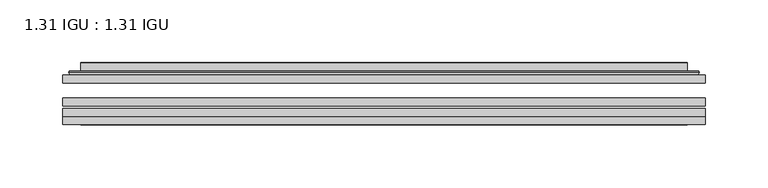
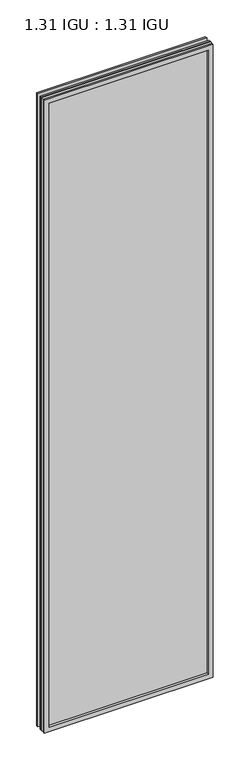
"""IFC4 building model written with IfcOpenShell, lengths in millimetres: plate geometry, 1.31 IGU : 1.31 IGU."""

import ifcopenshell
import ifcopenshell.guid

model = None  # the IFC model being written
_history = None  # IfcOwnerHistory: only IFC2X3 demands one
_inside = {}  # id of a spatial element -> (the spatial element, [elements in it])
_under = {}  # id of a project, library or spatial element -> (it, [spatial elements below it])
_declared = {}  # id of a project -> (the project, [libraries it declares])
_typed = {}  # id of a type object -> (the type object, [elements of that type])
_made_of = {}  # id of a material, layer set ... -> (it, [elements and type objects made of it])


def new_model(schema):
    """Start an empty IFC model of exactly this schema.

    Asked for "IFC4X3", IfcOpenShell would pick the latest addendum, in which some entities
    have other attributes; the version numbers below select the first issue.
    IFC2X3 requires an IfcOwnerHistory on every rooted entity: one is made here for all.
    """
    global model, _history
    if schema == "IFC4X3":
        model = ifcopenshell.file(schema_version=(4, 3, 0, 0))
    else:
        model = ifcopenshell.file(schema=schema)
    _inside.clear()
    _under.clear()
    _declared.clear()
    _typed.clear()
    _made_of.clear()
    _history = None
    if model.schema == "IFC2X3":
        org = make("IfcOrganization", Name="unknown")
        user = make(
            "IfcPersonAndOrganization",
            ThePerson=make("IfcPerson", FamilyName="unknown"),
            TheOrganization=org,
        )
        app = make(
            "IfcApplication",
            ApplicationDeveloper=org,
            Version="unknown",
            ApplicationFullName="unknown",
            ApplicationIdentifier="unknown",
        )
        _history = make(
            "IfcOwnerHistory",
            OwningUser=user,
            OwningApplication=app,
            ChangeAction="ADDED",
            CreationDate=0,
        )
    return model


def make(cls, **values):
    """One entity of the class cls with the attributes given. An attribute that is None is left unset."""
    return model.create_entity(
        cls, **{name: value for name, value in values.items() if value is not None}
    )


def rooted(cls, **values):
    """An entity with a GlobalId (a new one), such as an element, a storey or a relation."""
    return make(cls, GlobalId=ifcopenshell.guid.new(), OwnerHistory=_history, **values)


def si_unit(unit_type, name, prefix=None):
    """IfcSIUnit, for example si_unit("LENGTHUNIT", "METRE", prefix="MILLI")."""
    return make("IfcSIUnit", UnitType=unit_type, Prefix=prefix, Name=name)


def assignment(units):
    """IfcUnitAssignment: the units of a project."""
    return None if units is None else make("IfcUnitAssignment", Units=units)


def point(xyz):
    """IfcCartesianPoint."""
    return None if xyz is None else make("IfcCartesianPoint", Coordinates=xyz)


def direction(xyz):
    """IfcDirection."""
    return None if xyz is None else make("IfcDirection", DirectionRatios=xyz)


def frame(location, z_axis=None, x_axis=None):
    """IfcAxis2Placement3D, a coordinate frame: its origin and axes. An axis left out is left unset."""
    return make(
        "IfcAxis2Placement3D",
        Location=point(location),
        Axis=direction(z_axis),
        RefDirection=direction(x_axis),
    )


def origin():
    """The frame at (0, 0, 0) with its axes left unset."""
    return frame((0.0, 0.0, 0.0))


def place(relative_to, where):
    """IfcLocalPlacement: puts the frame where relative to a parent placement (None: the world)."""
    return make(
        "IfcLocalPlacement", PlacementRelTo=relative_to, RelativePlacement=where
    )


def context(
    kind, dimensions, precision=None, world=None, true_north=None, identifier=None
):
    """IfcGeometricRepresentationContext, for example the 3D "Model" context."""
    return make(
        "IfcGeometricRepresentationContext",
        ContextIdentifier=identifier,
        ContextType=kind,
        CoordinateSpaceDimension=dimensions,
        Precision=precision,
        WorldCoordinateSystem=world,
        TrueNorth=true_north,
    )


def project(units=None, contexts=None):
    """IfcProject with its units and contexts."""
    return rooted(
        "IfcProject",
        Name="project",
        RepresentationContexts=contexts,
        UnitsInContext=assignment(units),
    )


def spatial(cls, under=None, at=None, **own):
    """A site, building, storey or space (cls), placed at a placement, below another one or the project."""
    s = rooted(cls, ObjectPlacement=at, **own)
    if under is not None:
        _under.setdefault(under.id(), (under, []))[1].append(s)
    return s


def polyline(points):
    """IfcPolyline through the points."""
    return make("IfcPolyline", Points=[point(p) for p in points])


def ellipse_curve(where, semi_axis1, semi_axis2):
    """IfcEllipse in the frame where."""
    return make(
        "IfcEllipse", Position=where, SemiAxis1=semi_axis1, SemiAxis2=semi_axis2
    )


def outline(outer, holes=None, kind="AREA"):
    """IfcArbitraryClosedProfileDef: a profile drawn as a closed curve; with holes, ...WithVoids."""
    if holes is None:
        return make("IfcArbitraryClosedProfileDef", ProfileType=kind, OuterCurve=outer)
    return make(
        "IfcArbitraryProfileDefWithVoids",
        ProfileType=kind,
        OuterCurve=outer,
        InnerCurves=holes,
    )


def extrude(swept, where, along, depth):
    """IfcExtrudedAreaSolid: the profile swept, set in the frame where, extruded along a direction by depth."""
    return make(
        "IfcExtrudedAreaSolid",
        SweptArea=swept,
        Position=where,
        ExtrudedDirection=direction(along),
        Depth=depth,
    )


def faces_of(points, faces, orient=None, outer=None):
    """IfcFace entities. A face is a list of loops; a loop is a list of indices into points, from 0.

    orient and outer hold one flag for each loop. By default every Orientation is true, the
    first loop of a face is its IfcFaceOuterBound and the others are IfcFaceBound.
    """
    made = []
    for i, loops in enumerate(faces):
        bounds = []
        for j, loop in enumerate(loops):
            is_outer = j == 0 if outer is None else outer[i][j]
            bounds.append(
                make(
                    "IfcFaceOuterBound" if is_outer else "IfcFaceBound",
                    Bound=make("IfcPolyLoop", Polygon=[points[k] for k in loop]),
                    Orientation=True if orient is None else orient[i][j],
                )
            )
        made.append(make("IfcFace", Bounds=bounds))
    return made


def faceted_brep(points, faces, orient=None, outer=None, voids=None):
    """IfcFacetedBrep: a solid bounded by flat faces; with voids (closed shells), ...WithVoids."""
    shared = [point(p) for p in points]
    hull = make("IfcClosedShell", CfsFaces=faces_of(shared, faces, orient, outer))
    if voids is None:
        return make("IfcFacetedBrep", Outer=hull)
    return make(
        "IfcFacetedBrepWithVoids",
        Outer=hull,
        Voids=[
            make(cls, CfsFaces=faces_of(shared, fs, o, b)) for cls, fs, o, b in voids
        ],
    )


def shape(context_of_items, identifier, shape_type, items):
    """IfcShapeRepresentation: the items that make up one representation, for example the "Body"."""
    return make(
        "IfcShapeRepresentation",
        ContextOfItems=context_of_items,
        RepresentationIdentifier=identifier,
        RepresentationType=shape_type,
        Items=items,
    )


def source(mapping_origin, context_of_items, identifier, shape_type, items):
    """IfcRepresentationMap: a shape defined once, which mapped items show again and again."""
    return make(
        "IfcRepresentationMap",
        MappingOrigin=mapping_origin,
        MappedRepresentation=shape(context_of_items, identifier, shape_type, items),
    )


def transform(
    local_origin,
    x_axis=None,
    y_axis=None,
    z_axis=None,
    scale=None,
    scale2=None,
    scale3=None,
    uniform=True,
):
    """IfcCartesianTransformationOperator3D, or its non-uniform kind. x_axis, y_axis, z_axis: its Axis1, 2, 3."""
    if uniform:
        return make(
            "IfcCartesianTransformationOperator3D",
            Axis1=direction(x_axis),
            Axis2=direction(y_axis),
            LocalOrigin=point(local_origin),
            Scale=scale,
            Axis3=direction(z_axis),
        )
    return make(
        "IfcCartesianTransformationOperator3DnonUniform",
        Axis1=direction(x_axis),
        Axis2=direction(y_axis),
        LocalOrigin=point(local_origin),
        Scale=scale,
        Axis3=direction(z_axis),
        Scale2=scale2,
        Scale3=scale3,
    )


def mapped(mapping_source, mapping_target):
    """IfcMappedItem: shows the shape of a source again, moved by a transform."""
    return make(
        "IfcMappedItem", MappingSource=mapping_source, MappingTarget=mapping_target
    )


def made_of(thing, what):
    """Note that an element or type object is made of a material, layer set ...; save() writes the relation."""
    if what is not None:
        _made_of.setdefault(what.id(), (what, []))[1].append(thing)
    return thing


def element(
    cls,
    number,
    at=None,
    inside=None,
    cuts=None,
    type_object=None,
    material=None,
    context=None,
    identifier="Body",
    shape_type=None,
    held_by="IfcProductDefinitionShape",
    body=None,
    shapes=None,
    **own,
):
    """One element of the class cls, such as IfcWall. Its Tag is "e" and its number.

    at: its placement. inside: the storey or other place that contains it. cuts: it is an
    opening in that element (IfcRelVoidsElement). A single representation is given by context,
    identifier, shape_type and body (its items); several are given by shapes. held_by: the class
    of the entity that holds the representations. save() writes the other relations.
    """
    e = rooted(cls, Tag="e%d" % number, ObjectPlacement=at, **own)
    if body is not None:
        shapes = [shape(context, identifier, shape_type, body)]
    if shapes is not None:
        e.Representation = make(held_by, Representations=shapes)
    if inside is not None:
        _inside.setdefault(inside.id(), (inside, []))[1].append(e)
    if cuts is not None:
        rooted(
            "IfcRelVoidsElement", RelatingBuildingElement=cuts, RelatedOpeningElement=e
        )
    if type_object is not None:
        _typed.setdefault(type_object.id(), (type_object, []))[1].append(e)
    return made_of(e, material)


def aggregate(whole, parts):
    """IfcRelAggregates: a whole, such as a stair, and the parts it consists of."""
    return rooted("IfcRelAggregates", RelatingObject=whole, RelatedObjects=parts)


def save(model, path):
    """Write the relations noted so far, then the file.

    IfcRelAggregates (storeys below a building ...), IfcRelContainedInSpatialStructure (elements
    in a storey), IfcRelDefinesByType, IfcRelAssociatesMaterial and IfcRelDeclares: one each for
    every whole, place, type object, material and project.
    """
    for whole, parts in _under.values():
        aggregate(whole, parts)
    for where, things in _inside.values():
        rooted(
            "IfcRelContainedInSpatialStructure",
            RelatedElements=things,
            RelatingStructure=where,
        )
    for kind, things in _typed.values():
        rooted("IfcRelDefinesByType", RelatedObjects=things, RelatingType=kind)
    for what, things in _made_of.values():
        rooted("IfcRelAssociatesMaterial", RelatedObjects=things, RelatingMaterial=what)
    for by, libraries in _declared.values():
        rooted("IfcRelDeclares", RelatingContext=by, RelatedDefinitions=libraries)
    model.write(path)


def plane_surface(at):
    """IfcPlane: the flat surface through the origin of the frame at, square to its z axis."""
    return make("IfcPlane", Position=at)


def cylinder_surface(at, radius):
    """IfcCylindricalSurface: all points at the distance radius from the z axis of the frame at."""
    return make("IfcCylindricalSurface", Position=at, Radius=radius)


def advanced_brep(points, edges, surfaces, faces):
    """IfcAdvancedBrep: a solid bounded by faces that lie on surfaces and meet in shared edges.

    An edge is (start, end): straight between two places in points (the first is 0);
    or (start, end, curve); or (start, end, curve, False) where it runs against its curve.
    A face is (place in surfaces, loops), or (place, loops, False) where it looks against
    its surface's normal. A loop lists edges by number (the first is 1), with a minus sign
    where the edge is run from its end to its start. The first loop is the outer one.
    """
    corners = [point(p) for p in points]
    vertices = [make("IfcVertexPoint", VertexGeometry=c) for c in corners]
    made = []
    for start, end, *more in edges:
        made.append(
            make(
                "IfcEdgeCurve",
                EdgeStart=vertices[start],
                EdgeEnd=vertices[end],
                EdgeGeometry=more[0] if more else make("IfcPolyline", Points=[corners[start], corners[end]]),
                SameSense=more[1] if len(more) > 1 else True,
            )
        )
    hull = []
    for where, loops, *sense in faces:
        bounds = []
        for j, loop in enumerate(loops):
            ring = [make("IfcOrientedEdge", EdgeElement=made[abs(k) - 1], Orientation=k > 0) for k in loop]
            bounds.append(
                make(
                    "IfcFaceOuterBound" if j == 0 else "IfcFaceBound",
                    Bound=make("IfcEdgeLoop", EdgeList=ring),
                    Orientation=True,
                )
            )
        hull.append(make("IfcAdvancedFace", Bounds=bounds, FaceSurface=surfaces[where], SameSense=sense[0] if sense else True))
    return make("IfcAdvancedBrep", Outer=make("IfcClosedShell", CfsFaces=hull))


def plate_1_31_igu_1_31_igu_4bec45c2(model_context):
    return source(origin(), model_context, "Body", "SolidModel", [
        extrude(outline(polyline([(255.601675, -63.2975937), (255.601675, -69.6475938), (-255.5875, -69.6475938), (-255.5875, -63.2975937), (255.601675, -63.2975937)])), frame((0.0, 0.0, -14.2875), z_axis=(0.0, 0.0, 1.0), x_axis=(1.0, 0.0, 0.0)), (0.0, 0.0, 1.0), 2022.4787979),
        extrude(outline(polyline([(-255.5875, -78.2835938), (-255.5875, -71.9330887), (255.601675, -71.9330887), (255.601675, -78.2835938), (-255.5875, -78.2835938)])), frame((0.0, 0.0, -14.2875), z_axis=(0.0, 0.0, 1.0), x_axis=(1.0, 0.0, 0.0)), (0.0, 0.0, 1.0), 2022.4787979),
        extrude(outline(polyline([(255.601675, -44.9587937), (255.601675, -51.3087938), (-255.5875, -51.3087938), (-255.5875, -44.9587937), (255.601675, -44.9587937)])), frame((0.0, 0.0, -14.2875), z_axis=(0.0, 0.0, 1.0), x_axis=(1.0, 0.0, 0.0)), (0.0, 0.0, 1.0), 2022.4787979),
        faceted_brep([(-255.6002, -84.6335937, 2008.2002), (-255.6002, -78.2835937, 2008.2002), (-255.6002, -78.2835937, -14.3002), (-255.6002, -84.6335937, -14.3002), (255.6002, -78.2835937, -14.3002), (255.6002, -84.6335937, -14.3002), (255.6002, -78.2835937, 2008.2002), (255.6002, -84.6335937, 2008.2002), (-240.4022559, -78.2835937, 0.8977441), (240.4022559, -78.2835937, 0.8977441), (240.4022559, -78.2835937, 1993.0022559), (-240.4022559, -78.2835937, 1993.0022559), (-241.2946902, -84.6335937, 1993.8946902), (241.2946902, -84.6335937, 1993.8946902), (241.2946902, -84.6335937, 0.0053098), (-241.2946902, -84.6335937, 0.0053098)], [[[0, 1, 2, 3]], [[3, 2, 4, 5]], [[5, 4, 6, 7]], [[1, 6, 4, 2], [8, 9, 10, 11]], [[7, 6, 1, 0]], [[3, 5, 7, 0], [12, 13, 14, 15]], [[11, 12, 15, 8]], [[8, 15, 14, 9]], [[9, 14, 13, 10]], [[10, 13, 12, 11]]]),
        advanced_brep(
        [(-248.346219, -44.9587937, 2000.946219), (-250.7004244, -42.9691271, 2003.3004244), (-250.7004244, -42.9691271, -9.4004244), (-248.346219, -44.9587937, -7.046219), (-239.2718939, -41.1187568, 1991.8718939), (-234.3370621, -44.9587937, 1986.9370621), (-234.3370621, -44.9587937, 6.9629379), (-239.2718939, -41.1187568, 2.0281061), (-240.3039217, -35.7215256, 1992.9039217), (-240.3039217, -35.7215256, 0.9960783), (-241.2945784, -35.3225507, 1993.8945784), (-241.2945784, -35.3225507, 0.0054216), (-241.2945784, -41.7837937, 1993.8945784), (-241.2945784, -41.7837937, 0.0054216), (-249.6986349, -41.7837937, 2002.2986349), (-249.6986349, -41.7837937, -8.3986349), (250.7004244, -42.9691271, -9.4004244), (248.346219, -44.9587937, -7.046219), (234.3370621, -44.9587937, 6.9629379), (239.2718939, -41.1187568, 2.0281061), (240.3039217, -35.7215256, 0.9960783), (241.2945784, -35.3225507, 0.0054216), (241.2945784, -41.7837937, 0.0054216), (249.6986349, -41.7837937, -8.3986349), (250.7004244, -42.9691271, 2003.3004244), (248.346219, -44.9587937, 2000.946219), (234.3370621, -44.9587937, 1986.9370621), (239.2718939, -41.1187568, 1991.8718939), (240.3039217, -35.7215256, 1992.9039217), (241.2945784, -35.3225507, 1993.8945784), (241.2945784, -41.7837937, 1993.8945784), (249.6986349, -41.7837937, 2002.2986349)],
        [
            (0, 1, ellipse_curve(frame((-248.346219, -42.5711937, 2000.946219), z_axis=(-0.7071067811865475, 0.0, -0.7071067811865475), x_axis=(-0.7071067811865474, 0.0, 0.7071067811865476)), 3.3765763, 2.3876)),
            (1, 2),
            (2, 3, ellipse_curve(frame((-248.346219, -42.5711937, -7.046219), z_axis=(-0.7071067811865475, 0.0, 0.7071067811865475), x_axis=(0.7071067811865474, 0.0, 0.7071067811865476)), 3.3765763, 2.3876)),
            (3, 0),
            (4, 5),
            (5, 6),
            (6, 7),
            (7, 4),
            (8, 4),
            (7, 9),
            (9, 8),
            (10, 8, ellipse_curve(frame((-240.9276219, -35.840786, 1993.5276219), z_axis=(-0.7071067811865475, 0.0, -0.7071067811865475), x_axis=(-0.7071067811865474, 0.0, 0.7071067811865476)), 0.8980256, 0.635)),
            (9, 11, ellipse_curve(frame((-240.9276219, -35.840786, 0.3723781), z_axis=(-0.7071067811865475, 0.0, 0.7071067811865475), x_axis=(0.7071067811865474, 0.0, 0.7071067811865476)), 0.8980256, 0.635)),
            (11, 10),
            (12, 10),
            (11, 13),
            (13, 12),
            (1, 14, ellipse_curve(frame((-249.6986349, -42.7997937, 2002.2986349), z_axis=(-0.7071067811865475, 0.0, -0.7071067811865475), x_axis=(-0.7071067811865474, 0.0, 0.7071067811865476)), 1.436841, 1.016)),
            (14, 15),
            (15, 2, ellipse_curve(frame((-249.6986349, -42.7997937, -8.3986349), z_axis=(-0.7071067811865475, 0.0, 0.7071067811865475), x_axis=(0.7071067811865474, 0.0, 0.7071067811865476)), 1.436841, 1.016)),
            (2, 16),
            (16, 17, ellipse_curve(frame((248.346219, -42.5711937, -7.046219), z_axis=(-0.7071067811865475, 0.0, -0.7071067811865475), x_axis=(-0.7071067811865476, 0.0, 0.7071067811865474)), 3.3765763, 2.3876)),
            (17, 3),
            (6, 18),
            (18, 19),
            (19, 7),
            (19, 20),
            (20, 9),
            (20, 21, ellipse_curve(frame((240.9276219, -35.840786, 0.3723781), z_axis=(-0.7071067811865475, 0.0, -0.7071067811865475), x_axis=(-0.7071067811865476, 0.0, 0.7071067811865474)), 0.8980256, 0.635)),
            (21, 11),
            (21, 22),
            (22, 13),
            (15, 23),
            (23, 16, ellipse_curve(frame((249.6986349, -42.7997937, -8.3986349), z_axis=(-0.7071067811865475, 0.0, -0.7071067811865475), x_axis=(-0.7071067811865476, 0.0, 0.7071067811865474)), 1.436841, 1.016)),
            (16, 24),
            (24, 25, ellipse_curve(frame((248.346219, -42.5711937, 2000.946219), z_axis=(0.7071067811865475, 0.0, -0.7071067811865475), x_axis=(-0.7071067811865474, 0.0, -0.7071067811865476)), 3.3765763, 2.3876)),
            (25, 17),
            (18, 26),
            (26, 27),
            (27, 19),
            (27, 28),
            (28, 20),
            (28, 29, ellipse_curve(frame((240.9276219, -35.840786, 1993.5276219), z_axis=(0.7071067811865475, 0.0, -0.7071067811865475), x_axis=(-0.7071067811865474, 0.0, -0.7071067811865476)), 0.8980256, 0.635)),
            (29, 21),
            (29, 30),
            (30, 22),
            (23, 31),
            (31, 24, ellipse_curve(frame((249.6986349, -42.7997937, 2002.2986349), z_axis=(0.7071067811865475, 0.0, -0.7071067811865475), x_axis=(-0.7071067811865474, 0.0, -0.7071067811865476)), 1.436841, 1.016)),
            (24, 1),
            (0, 25),
            (5, 26),
            (4, 27),
            (8, 28),
            (10, 29),
            (12, 30),
            (14, 31),
        ],
        [
            cylinder_surface(frame((-248.346219, -42.5711937, 2025.65), z_axis=(0.0, 0.0, 1.0), x_axis=(-1.0, 0.0, 0.0)), 2.3876),
            plane_surface(frame((-234.3370621, -44.9587937, 1986.9370621), z_axis=(0.6141233906514794, 0.7892100234124821, 0.0), x_axis=(0.0, 0.0, -1.0))),
            plane_surface(frame((-239.2718939, -41.1187568, 1991.8718939), z_axis=(0.9822050625507729, 0.18781164793386076, 0.0), x_axis=(0.0, 0.0, -1.0))),
            cylinder_surface(frame((-240.9276219, -35.840786, 2025.65), z_axis=(0.0, 0.0, 1.0), x_axis=(-1.0, 0.0, 0.0)), 0.635),
            plane_surface(frame((-241.2945784, -35.3225507, 1993.8945784), z_axis=(-1.0, 0.0, 0.0), x_axis=(0.0, 0.0, -1.0))),
            cylinder_surface(frame((-249.6986349, -42.7997937, 2025.65), z_axis=(0.0, 0.0, 1.0), x_axis=(-1.0, 0.0, 0.0)), 1.016),
            cylinder_surface(frame((-273.05, -42.5711937, -7.046219), z_axis=(-1.0, 0.0, 0.0), x_axis=(0.0, 0.0, -1.0)), 2.3876),
            plane_surface(frame((-234.3370621, -44.9587937, 6.9629379), z_axis=(0.0, 0.7892100234124841, 0.6141233906514768), x_axis=(1.0, 0.0, 0.0))),
            plane_surface(frame((-239.2718939, -41.1187568, 2.0281061), z_axis=(0.0, 0.18781164793386393, 0.9822050625507723), x_axis=(1.0, 0.0, 0.0))),
            cylinder_surface(frame((-273.05, -35.840786, 0.3723781), z_axis=(-1.0, 0.0, 0.0), x_axis=(0.0, 0.0, -1.0)), 0.635),
            plane_surface(frame((-241.2945784, -35.3225507, 0.0054216), z_axis=(0.0, 0.0, -1.0), x_axis=(1.0, 0.0, 0.0))),
            cylinder_surface(frame((-273.05, -42.7997937, -8.3986349), z_axis=(-1.0, 0.0, 0.0), x_axis=(0.0, 0.0, -1.0)), 1.016),
            cylinder_surface(frame((248.346219, -42.5711937, -31.75), z_axis=(0.0, 0.0, -1.0), x_axis=(1.0, 0.0, 0.0)), 2.3876),
            plane_surface(frame((234.3370621, -44.9587937, 6.9629379), z_axis=(-0.6141233906514743, 0.7892100234124861, 0.0), x_axis=(0.0, 0.0, 1.0))),
            plane_surface(frame((239.2718939, -41.1187568, 2.0281061), z_axis=(-0.9822050625507718, 0.1878116479338671, 0.0), x_axis=(0.0, 0.0, 1.0))),
            cylinder_surface(frame((240.9276219, -35.840786, -31.75), z_axis=(0.0, 0.0, -1.0), x_axis=(1.0, 0.0, 0.0)), 0.635),
            plane_surface(frame((241.2945784, -35.3225507, 0.0054216), z_axis=(1.0, 0.0, 0.0), x_axis=(0.0, 0.0, 1.0))),
            cylinder_surface(frame((249.6986349, -42.7997937, -31.75), z_axis=(0.0, 0.0, -1.0), x_axis=(1.0, 0.0, 0.0)), 1.016),
            cylinder_surface(frame((273.05, -42.5711937, 2000.946219), z_axis=(1.0, 0.0, 0.0), x_axis=(0.0, 0.0, 1.0)), 2.3876),
            plane_surface(frame((248.346219, -44.9587937, 2000.946219), z_axis=(0.0, -1.0, 0.0), x_axis=(-1.0, 0.0, 0.0))),
            plane_surface(frame((234.3370621, -44.9587937, 1986.9370621), z_axis=(0.0, 0.7892100234124841, -0.6141233906514768), x_axis=(-1.0, 0.0, 0.0))),
            plane_surface(frame((239.2718939, -41.1187568, 1991.8718939), z_axis=(0.0, 0.18781164793386393, -0.9822050625507723), x_axis=(-1.0, 0.0, 0.0))),
            cylinder_surface(frame((273.05, -35.840786, 1993.5276219), z_axis=(1.0, 0.0, 0.0), x_axis=(0.0, 0.0, 1.0)), 0.635),
            plane_surface(frame((241.2945784, -35.3225507, 1993.8945784), z_axis=(0.0, 0.0, 1.0), x_axis=(-1.0, 0.0, 0.0))),
            plane_surface(frame((241.2945784, -41.7837937, 1993.8945784), z_axis=(0.0, 1.0, 0.0), x_axis=(-1.0, 0.0, 0.0))),
            cylinder_surface(frame((273.05, -42.7997937, 2002.2986349), z_axis=(1.0, 0.0, 0.0), x_axis=(0.0, 0.0, 1.0)), 1.016),
        ],
        [
            (0, [[1, 2, 3, 4]]),
            (1, [[5, 6, 7, 8]]),
            (2, [[9, -8, 10, 11]]),
            (3, [[12, -11, 13, 14]]),
            (4, [[15, -14, 16, 17]]),
            (5, [[18, 19, 20, -2]]),
            (6, [[-3, 21, 22, 23]]),
            (7, [[-7, 24, 25, 26]]),
            (8, [[-10, -26, 27, 28]]),
            (9, [[-13, -28, 29, 30]]),
            (10, [[-16, -30, 31, 32]]),
            (11, [[-20, 33, 34, -21]]),
            (12, [[-22, 35, 36, 37]]),
            (13, [[-25, 38, 39, 40]]),
            (14, [[-27, -40, 41, 42]]),
            (15, [[-29, -42, 43, 44]]),
            (16, [[-31, -44, 45, 46]]),
            (17, [[-34, 47, 48, -35]]),
            (18, [[-36, 49, -1, 50]]),
            (19, [[-23, -37, -50, -4], [51, -38, -24, -6]]),
            (20, [[-39, -51, -5, 52]]),
            (21, [[-41, -52, -9, 53]]),
            (22, [[-43, -53, -12, 54]]),
            (23, [[-45, -54, -15, 55]]),
            (24, [[56, -47, -33, -19], [-32, -46, -55, -17]]),
            (25, [[-48, -56, -18, -49]]),
        ],
    ),
    ])


if __name__ == "__main__":
    model = new_model("IFC4")
    model_context = context("Model", 3, world=origin())
    ifc_project = project(units=[si_unit("LENGTHUNIT", "METRE", prefix="MILLI")], contexts=[model_context])
    site = spatial("IfcSite", under=ifc_project)
    building = spatial("IfcBuilding", under=site)
    placement = place(None, origin())
    plate_1_31_igu_1_31_igu_shape = plate_1_31_igu_1_31_igu_4bec45c2(model_context)
    element("IfcPlate", 1, ObjectType="1.31 IGU : 1.31 IGU", at=placement, inside=building, context=model_context, shape_type="MappedRepresentation", body=[
        mapped(plate_1_31_igu_1_31_igu_shape, transform((0.0, 0.0, 0.0), x_axis=(1.0, 0.0, 0.0), y_axis=(0.0, 1.0, 0.0), z_axis=(0.0, 0.0, 1.0))),
    ])
    save(model, "model.ifc")
